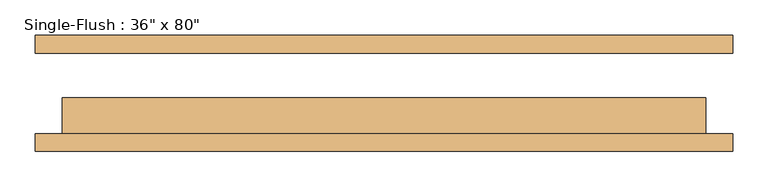
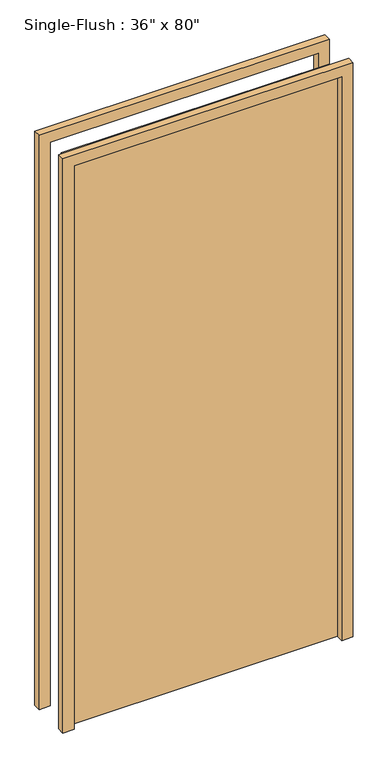
"""IFC4 building model written with IfcOpenShell, lengths in millimetres: door geometry."""

from ifc_helpers import new_model, si_unit, frame, origin, origin_with_axes, place, context, project, spatial, polyline, outline, extrude, source, transform, mapped, element, save


def door_b75d1764(model_context):
    return source(origin(), model_context, "Body", "SweptSolid", [
        extrude(outline(polyline([(2070.1, -495.3), (0.0, -495.3), (0.0, -457.2), (2032.0, -457.2), (2032.0, 457.2), (0.0, 457.2), (0.0, 495.3), (2070.1, 495.3), (2070.1, -495.3)])), frame((0.0, -82.55, 0.0), z_axis=(0.0, 1.0, 0.0), x_axis=(0.0, 0.0, 1.0)), (0.0, 0.0, 1.0), 25.4),
        extrude(outline(polyline([(2070.1, 495.3), (2070.1, -495.3), (0.0, -495.3), (0.0, -457.2), (2032.0, -457.2), (2032.0, 457.2), (0.0, 457.2), (0.0, 495.3), (2070.1, 495.3)])), frame((0.0, 57.15, 0.0), z_axis=(0.0, 1.0, 0.0), x_axis=(0.0, 0.0, 1.0)), (0.0, 0.0, 1.0), 25.4),
        extrude(outline(polyline([(457.2, -6.35), (457.2, -57.15), (-457.2, -57.15), (-457.2, -6.35), (457.2, -6.35)])), origin_with_axes(), (0.0, 0.0, 1.0), 2032.0),
    ])


if __name__ == "__main__":
    model = new_model("IFC4")
    model_context = context("Model", 3, world=origin())
    ifc_project = project(units=[si_unit("LENGTHUNIT", "METRE", prefix="MILLI")], contexts=[model_context])
    site = spatial("IfcSite", under=ifc_project)
    building = spatial("IfcBuilding", under=site)
    placement = place(None, origin())
    door_shape = door_b75d1764(model_context)
    element("IfcDoor", 1, ObjectType="Single-Flush : 36\" x 80\"", at=placement, inside=building, context=model_context, shape_type="MappedRepresentation", body=[
        mapped(door_shape, transform((0.0, 0.0, 0.0), x_axis=(1.0, 0.0, 0.0), y_axis=(0.0, 1.0, 0.0), z_axis=(0.0, 0.0, 1.0))),
    ])
    save(model, "model.ifc")
